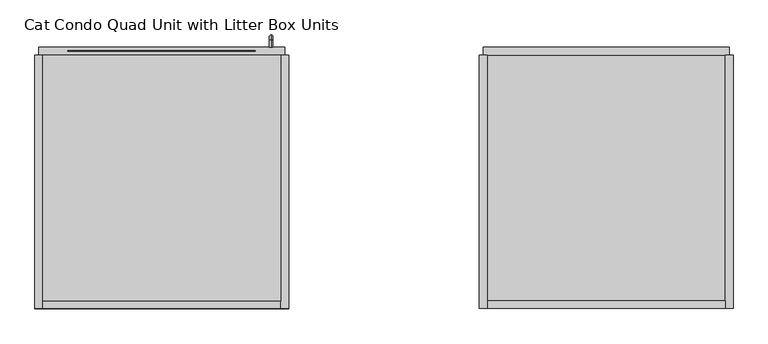
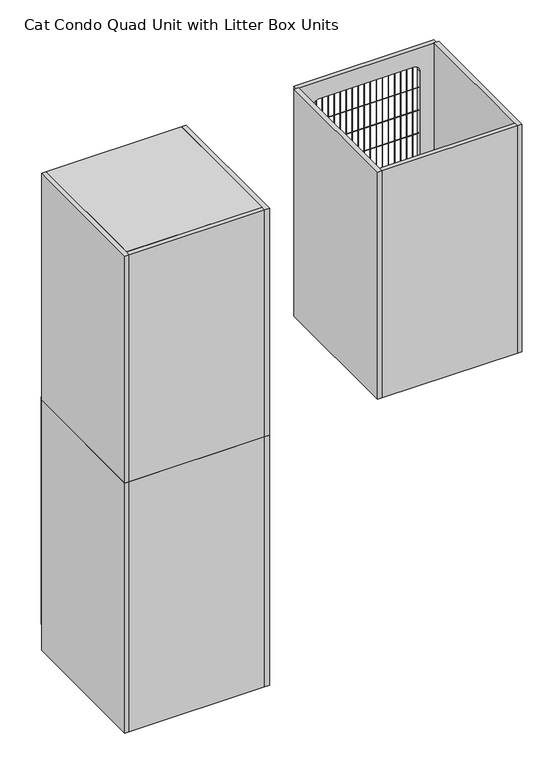
"""IFC4 building model written with IfcOpenShell, lengths in millimetres: proxy geometry, Cat Condo Quad Unit with Litter Box Units."""

from ifc_helpers import new_model, si_unit, point, frame, frame_2d, origin, origin_with_axes, place, context, project, spatial, polyline, circle_curve, ellipse_curve, trimmed, segment, composite_curve, outline, extrude, source, transform, mapped, element, save
from ifc_brep_helpers import plane_surface, cylinder_surface, revolved_surface, advanced_brep


def cat_condo_quad_unit_with_litter_box_units_1855b572(model_context):
    return source(origin(), model_context, "Body", "SolidModel", [
        extrude(outline(polyline([(1085.85, 0.0), (1657.35, 0.0), (1657.35, -590.55), (1085.85, -590.55), (1085.85, 0.0)])), frame((0.0, 0.0, 1114.425), z_axis=(0.0, 0.0, 1.0), x_axis=(1.0, 0.0, 0.0)), (0.0, 0.0, 1.0), 19.05),
        extrude(outline(polyline([(1085.85, -609.6), (1066.8, -609.6), (1066.8, 0.0), (1085.85, 0.0), (1085.85, -609.6)])), frame((0.0, 0.0, 1114.425), z_axis=(0.0, 0.0, 1.0), x_axis=(1.0, 0.0, 0.0)), (0.0, 0.0, 1.0), 1012.825),
        extrude(outline(polyline([(1085.85, -609.6), (1085.85, -590.55), (1657.35, -590.55), (1657.35, -609.6), (1085.85, -609.6)])), frame((0.0, 0.0, 1114.425), z_axis=(0.0, 0.0, 1.0), x_axis=(1.0, 0.0, 0.0)), (0.0, 0.0, 1.0), 1012.825),
        extrude(outline(polyline([(1657.35, -609.6), (1657.35, 0.0), (1676.4, 0.0), (1676.4, -609.6), (1657.35, -609.6)])), frame((0.0, 0.0, 1114.425), z_axis=(0.0, 0.0, 1.0), x_axis=(1.0, 0.0, 0.0)), (0.0, 0.0, 1.0), 1012.825),
        extrude(outline(composite_curve([segment(trimmed(circle_curve(frame_2d((9.6602248, 1944.6875)), 0.79375), [point((9.6602248, 1945.48125))], [point((9.6602248, 1943.89375))], False, "CARTESIAN"), True, "CONTINUOUS"), segment(trimmed(circle_curve(frame_2d((9.6602248, 1944.6875)), 0.79375), [point((9.6602248, 1943.89375))], [point((9.6602248, 1945.48125))], False, "CARTESIAN"), True, "CONTINUOUS")], self_intersect=False)), frame((1146.96875, 0.0, 0.0), z_axis=(1.0, 0.0, 0.0), x_axis=(0.0, 1.0, 0.0)), (0.0, 0.0, 1.0), 450.85),
        extrude(outline(composite_curve([segment(trimmed(circle_curve(frame_2d((9.6602248, 1843.0875)), 0.79375), [point((9.6602248, 1843.88125))], [point((9.6602248, 1842.29375))], False, "CARTESIAN"), True, "CONTINUOUS"), segment(trimmed(circle_curve(frame_2d((9.6602248, 1843.0875)), 0.79375), [point((9.6602248, 1842.29375))], [point((9.6602248, 1843.88125))], False, "CARTESIAN"), True, "CONTINUOUS")], self_intersect=False)), frame((1146.96875, 0.0, 0.0), z_axis=(1.0, 0.0, 0.0), x_axis=(0.0, 1.0, 0.0)), (0.0, 0.0, 1.0), 450.85),
        extrude(outline(composite_curve([segment(trimmed(circle_curve(frame_2d((9.6602248, 1741.4875)), 0.79375), [point((9.6602248, 1742.28125))], [point((9.6602248, 1740.69375))], False, "CARTESIAN"), True, "CONTINUOUS"), segment(trimmed(circle_curve(frame_2d((9.6602248, 1741.4875)), 0.79375), [point((9.6602248, 1740.69375))], [point((9.6602248, 1742.28125))], False, "CARTESIAN"), True, "CONTINUOUS")], self_intersect=False)), frame((1146.96875, 0.0, 0.0), z_axis=(1.0, 0.0, 0.0), x_axis=(0.0, 1.0, 0.0)), (0.0, 0.0, 1.0), 450.85),
        extrude(outline(composite_curve([segment(trimmed(circle_curve(frame_2d((9.6602248, 1639.8875)), 0.79375), [point((9.6602248, 1640.68125))], [point((9.6602248, 1639.09375))], False, "CARTESIAN"), True, "CONTINUOUS"), segment(trimmed(circle_curve(frame_2d((9.6602248, 1639.8875)), 0.79375), [point((9.6602248, 1639.09375))], [point((9.6602248, 1640.68125))], False, "CARTESIAN"), True, "CONTINUOUS")], self_intersect=False)), frame((1146.96875, 0.0, 0.0), z_axis=(1.0, 0.0, 0.0), x_axis=(0.0, 1.0, 0.0)), (0.0, 0.0, 1.0), 450.85),
        extrude(outline(composite_curve([segment(trimmed(circle_curve(frame_2d((9.6602248, 1538.2875)), 0.79375), [point((9.6602248, 1539.08125))], [point((9.6602248, 1537.49375))], False, "CARTESIAN"), True, "CONTINUOUS"), segment(trimmed(circle_curve(frame_2d((9.6602248, 1538.2875)), 0.79375), [point((9.6602248, 1537.49375))], [point((9.6602248, 1539.08125))], False, "CARTESIAN"), True, "CONTINUOUS")], self_intersect=False)), frame((1146.96875, 0.0, 0.0), z_axis=(1.0, 0.0, 0.0), x_axis=(0.0, 1.0, 0.0)), (0.0, 0.0, 1.0), 450.85),
        extrude(outline(composite_curve([segment(trimmed(circle_curve(frame_2d((9.6602248, 1436.6875)), 0.79375), [point((9.6602248, 1437.48125))], [point((9.6602248, 1435.89375))], False, "CARTESIAN"), True, "CONTINUOUS"), segment(trimmed(circle_curve(frame_2d((9.6602248, 1436.6875)), 0.79375), [point((9.6602248, 1435.89375))], [point((9.6602248, 1437.48125))], False, "CARTESIAN"), True, "CONTINUOUS")], self_intersect=False)), frame((1146.96875, 0.0, 0.0), z_axis=(1.0, 0.0, 0.0), x_axis=(0.0, 1.0, 0.0)), (0.0, 0.0, 1.0), 450.85),
        extrude(outline(composite_curve([segment(trimmed(circle_curve(frame_2d((9.6602248, 1335.0875)), 0.79375), [point((9.6602248, 1335.88125))], [point((9.6602248, 1334.29375))], False, "CARTESIAN"), True, "CONTINUOUS"), segment(trimmed(circle_curve(frame_2d((9.6602248, 1335.0875)), 0.79375), [point((9.6602248, 1334.29375))], [point((9.6602248, 1335.88125))], False, "CARTESIAN"), True, "CONTINUOUS")], self_intersect=False)), frame((1146.96875, 0.0, 0.0), z_axis=(1.0, 0.0, 0.0), x_axis=(0.0, 1.0, 0.0)), (0.0, 0.0, 1.0), 450.85),
        extrude(outline(composite_curve([segment(trimmed(circle_curve(frame_2d((1165.3080335, 9.6602248)), 0.79375), [point((1166.1017835, 9.6602248))], [point((1164.5142835, 9.6602248))], False, "CARTESIAN"), True, "CONTINUOUS"), segment(trimmed(circle_curve(frame_2d((1165.3080335, 9.6602248)), 0.79375), [point((1164.5142835, 9.6602248))], [point((1166.1017835, 9.6602248))], False, "CARTESIAN"), True, "CONTINUOUS")], self_intersect=False)), frame((0.0, 0.0, 1244.6), z_axis=(0.0, 0.0, 1.0), x_axis=(1.0, 0.0, 0.0)), (0.0, 0.0, 1.0), 803.275),
        extrude(outline(composite_curve([segment(trimmed(circle_curve(frame_2d((1190.7080335, 9.6602248)), 0.79375), [point((1191.5017835, 9.6602248))], [point((1189.9142835, 9.6602248))], False, "CARTESIAN"), True, "CONTINUOUS"), segment(trimmed(circle_curve(frame_2d((1190.7080335, 9.6602248)), 0.79375), [point((1189.9142835, 9.6602248))], [point((1191.5017835, 9.6602248))], False, "CARTESIAN"), True, "CONTINUOUS")], self_intersect=False)), frame((0.0, 0.0, 1244.6), z_axis=(0.0, 0.0, 1.0), x_axis=(1.0, 0.0, 0.0)), (0.0, 0.0, 1.0), 803.275),
        extrude(outline(composite_curve([segment(trimmed(circle_curve(frame_2d((1216.1080335, 9.6602248)), 0.79375), [point((1216.9017835, 9.6602248))], [point((1215.3142835, 9.6602248))], False, "CARTESIAN"), True, "CONTINUOUS"), segment(trimmed(circle_curve(frame_2d((1216.1080335, 9.6602248)), 0.79375), [point((1215.3142835, 9.6602248))], [point((1216.9017835, 9.6602248))], False, "CARTESIAN"), True, "CONTINUOUS")], self_intersect=False)), frame((0.0, 0.0, 1244.6), z_axis=(0.0, 0.0, 1.0), x_axis=(1.0, 0.0, 0.0)), (0.0, 0.0, 1.0), 803.275),
        extrude(outline(composite_curve([segment(trimmed(circle_curve(frame_2d((1241.5080335, 9.6602248)), 0.79375), [point((1242.3017835, 9.6602248))], [point((1240.7142835, 9.6602248))], False, "CARTESIAN"), True, "CONTINUOUS"), segment(trimmed(circle_curve(frame_2d((1241.5080335, 9.6602248)), 0.79375), [point((1240.7142835, 9.6602248))], [point((1242.3017835, 9.6602248))], False, "CARTESIAN"), True, "CONTINUOUS")], self_intersect=False)), frame((0.0, 0.0, 1244.6), z_axis=(0.0, 0.0, 1.0), x_axis=(1.0, 0.0, 0.0)), (0.0, 0.0, 1.0), 803.275),
        extrude(outline(composite_curve([segment(trimmed(circle_curve(frame_2d((1266.9080335, 9.6602248)), 0.79375), [point((1267.7017835, 9.6602248))], [point((1266.1142835, 9.6602248))], False, "CARTESIAN"), True, "CONTINUOUS"), segment(trimmed(circle_curve(frame_2d((1266.9080335, 9.6602248)), 0.79375), [point((1266.1142835, 9.6602248))], [point((1267.7017835, 9.6602248))], False, "CARTESIAN"), True, "CONTINUOUS")], self_intersect=False)), frame((0.0, 0.0, 1244.6), z_axis=(0.0, 0.0, 1.0), x_axis=(1.0, 0.0, 0.0)), (0.0, 0.0, 1.0), 803.275),
        extrude(outline(composite_curve([segment(trimmed(circle_curve(frame_2d((1292.3080335, 9.6602248)), 0.79375), [point((1293.1017835, 9.6602248))], [point((1291.5142835, 9.6602248))], False, "CARTESIAN"), True, "CONTINUOUS"), segment(trimmed(circle_curve(frame_2d((1292.3080335, 9.6602248)), 0.79375), [point((1291.5142835, 9.6602248))], [point((1293.1017835, 9.6602248))], False, "CARTESIAN"), True, "CONTINUOUS")], self_intersect=False)), frame((0.0, 0.0, 1244.6), z_axis=(0.0, 0.0, 1.0), x_axis=(1.0, 0.0, 0.0)), (0.0, 0.0, 1.0), 803.275),
        extrude(outline(composite_curve([segment(trimmed(circle_curve(frame_2d((1317.7080335, 9.6602248)), 0.79375), [point((1318.5017835, 9.6602248))], [point((1316.9142835, 9.6602248))], False, "CARTESIAN"), True, "CONTINUOUS"), segment(trimmed(circle_curve(frame_2d((1317.7080335, 9.6602248)), 0.79375), [point((1316.9142835, 9.6602248))], [point((1318.5017835, 9.6602248))], False, "CARTESIAN"), True, "CONTINUOUS")], self_intersect=False)), frame((0.0, 0.0, 1244.6), z_axis=(0.0, 0.0, 1.0), x_axis=(1.0, 0.0, 0.0)), (0.0, 0.0, 1.0), 803.275),
        extrude(outline(composite_curve([segment(trimmed(circle_curve(frame_2d((1343.1080335, 9.6602248)), 0.79375), [point((1343.9017835, 9.6602248))], [point((1342.3142835, 9.6602248))], False, "CARTESIAN"), True, "CONTINUOUS"), segment(trimmed(circle_curve(frame_2d((1343.1080335, 9.6602248)), 0.79375), [point((1342.3142835, 9.6602248))], [point((1343.9017835, 9.6602248))], False, "CARTESIAN"), True, "CONTINUOUS")], self_intersect=False)), frame((0.0, 0.0, 1244.6), z_axis=(0.0, 0.0, 1.0), x_axis=(1.0, 0.0, 0.0)), (0.0, 0.0, 1.0), 803.275),
        extrude(outline(composite_curve([segment(trimmed(circle_curve(frame_2d((1368.5080335, 9.6602248)), 0.79375), [point((1369.3017835, 9.6602248))], [point((1367.7142835, 9.6602248))], False, "CARTESIAN"), True, "CONTINUOUS"), segment(trimmed(circle_curve(frame_2d((1368.5080335, 9.6602248)), 0.79375), [point((1367.7142835, 9.6602248))], [point((1369.3017835, 9.6602248))], False, "CARTESIAN"), True, "CONTINUOUS")], self_intersect=False)), frame((0.0, 0.0, 1244.6), z_axis=(0.0, 0.0, 1.0), x_axis=(1.0, 0.0, 0.0)), (0.0, 0.0, 1.0), 803.275),
        extrude(outline(composite_curve([segment(trimmed(circle_curve(frame_2d((1393.9080335, 9.6602248)), 0.79375), [point((1394.7017835, 9.6602248))], [point((1393.1142835, 9.6602248))], False, "CARTESIAN"), True, "CONTINUOUS"), segment(trimmed(circle_curve(frame_2d((1393.9080335, 9.6602248)), 0.79375), [point((1393.1142835, 9.6602248))], [point((1394.7017835, 9.6602248))], False, "CARTESIAN"), True, "CONTINUOUS")], self_intersect=False)), frame((0.0, 0.0, 1244.6), z_axis=(0.0, 0.0, 1.0), x_axis=(1.0, 0.0, 0.0)), (0.0, 0.0, 1.0), 803.275),
        extrude(outline(composite_curve([segment(trimmed(circle_curve(frame_2d((1419.3080335, 9.6602248)), 0.79375), [point((1420.1017835, 9.6602248))], [point((1418.5142835, 9.6602248))], False, "CARTESIAN"), True, "CONTINUOUS"), segment(trimmed(circle_curve(frame_2d((1419.3080335, 9.6602248)), 0.79375), [point((1418.5142835, 9.6602248))], [point((1420.1017835, 9.6602248))], False, "CARTESIAN"), True, "CONTINUOUS")], self_intersect=False)), frame((0.0, 0.0, 1244.6), z_axis=(0.0, 0.0, 1.0), x_axis=(1.0, 0.0, 0.0)), (0.0, 0.0, 1.0), 803.275),
        extrude(outline(composite_curve([segment(trimmed(circle_curve(frame_2d((1444.7080335, 9.6602248)), 0.79375), [point((1445.5017835, 9.6602248))], [point((1443.9142835, 9.6602248))], False, "CARTESIAN"), True, "CONTINUOUS"), segment(trimmed(circle_curve(frame_2d((1444.7080335, 9.6602248)), 0.79375), [point((1443.9142835, 9.6602248))], [point((1445.5017835, 9.6602248))], False, "CARTESIAN"), True, "CONTINUOUS")], self_intersect=False)), frame((0.0, 0.0, 1244.6), z_axis=(0.0, 0.0, 1.0), x_axis=(1.0, 0.0, 0.0)), (0.0, 0.0, 1.0), 803.275),
        extrude(outline(composite_curve([segment(trimmed(circle_curve(frame_2d((1470.1080335, 9.6602248)), 0.79375), [point((1470.9017835, 9.6602248))], [point((1469.3142835, 9.6602248))], False, "CARTESIAN"), True, "CONTINUOUS"), segment(trimmed(circle_curve(frame_2d((1470.1080335, 9.6602248)), 0.79375), [point((1469.3142835, 9.6602248))], [point((1470.9017835, 9.6602248))], False, "CARTESIAN"), True, "CONTINUOUS")], self_intersect=False)), frame((0.0, 0.0, 1244.6), z_axis=(0.0, 0.0, 1.0), x_axis=(1.0, 0.0, 0.0)), (0.0, 0.0, 1.0), 803.275),
        extrude(outline(composite_curve([segment(trimmed(circle_curve(frame_2d((1495.5080335, 9.6602248)), 0.79375), [point((1496.3017835, 9.6602248))], [point((1494.7142835, 9.6602248))], False, "CARTESIAN"), True, "CONTINUOUS"), segment(trimmed(circle_curve(frame_2d((1495.5080335, 9.6602248)), 0.79375), [point((1494.7142835, 9.6602248))], [point((1496.3017835, 9.6602248))], False, "CARTESIAN"), True, "CONTINUOUS")], self_intersect=False)), frame((0.0, 0.0, 1244.6), z_axis=(0.0, 0.0, 1.0), x_axis=(1.0, 0.0, 0.0)), (0.0, 0.0, 1.0), 803.275),
        extrude(outline(composite_curve([segment(trimmed(circle_curve(frame_2d((1520.9080335, 9.6602248)), 0.79375), [point((1521.7017835, 9.6602248))], [point((1520.1142835, 9.6602248))], False, "CARTESIAN"), True, "CONTINUOUS"), segment(trimmed(circle_curve(frame_2d((1520.9080335, 9.6602248)), 0.79375), [point((1520.1142835, 9.6602248))], [point((1521.7017835, 9.6602248))], False, "CARTESIAN"), True, "CONTINUOUS")], self_intersect=False)), frame((0.0, 0.0, 1244.6), z_axis=(0.0, 0.0, 1.0), x_axis=(1.0, 0.0, 0.0)), (0.0, 0.0, 1.0), 803.275),
        extrude(outline(composite_curve([segment(trimmed(circle_curve(frame_2d((1546.3080335, 9.6602248)), 0.79375), [point((1547.1017835, 9.6602248))], [point((1545.5142835, 9.6602248))], False, "CARTESIAN"), True, "CONTINUOUS"), segment(trimmed(circle_curve(frame_2d((1546.3080335, 9.6602248)), 0.79375), [point((1545.5142835, 9.6602248))], [point((1547.1017835, 9.6602248))], False, "CARTESIAN"), True, "CONTINUOUS")], self_intersect=False)), frame((0.0, 0.0, 1244.6), z_axis=(0.0, 0.0, 1.0), x_axis=(1.0, 0.0, 0.0)), (0.0, 0.0, 1.0), 803.275),
        extrude(outline(composite_curve([segment(trimmed(circle_curve(frame_2d((1571.7080335, 9.6602248)), 0.79375), [point((1572.5017835, 9.6602248))], [point((1570.9142835, 9.6602248))], False, "CARTESIAN"), True, "CONTINUOUS"), segment(trimmed(circle_curve(frame_2d((1571.7080335, 9.6602248)), 0.79375), [point((1570.9142835, 9.6602248))], [point((1572.5017835, 9.6602248))], False, "CARTESIAN"), True, "CONTINUOUS")], self_intersect=False)), frame((0.0, 0.0, 1244.6), z_axis=(0.0, 0.0, 1.0), x_axis=(1.0, 0.0, 0.0)), (0.0, 0.0, 1.0), 803.275),
        extrude(outline(polyline([(2127.25, 1666.875), (2127.25, 1076.325), (1114.425, 1076.325), (1114.425, 1666.875), (2127.25, 1666.875)]), holes=[composite_curve([segment(polyline([(2047.875, 1172.36875), (2047.875, 1572.41875)]), True, "CONTINUOUS"), segment(trimmed(circle_curve(frame_2d((2022.475, 1572.41875)), 25.4), [point((2047.875, 1572.41875))], [point((2022.475, 1597.81875))], True, "CARTESIAN"), True, "CONTINUOUS"), segment(polyline([(2022.475, 1597.81875), (1270.0, 1597.81875)]), True, "CONTINUOUS"), segment(trimmed(circle_curve(frame_2d((1270.0, 1572.41875)), 25.4), [point((1270.0, 1597.81875))], [point((1244.6, 1572.41875))], True, "CARTESIAN"), True, "CONTINUOUS"), segment(polyline([(1244.6, 1572.41875), (1244.6, 1172.36875)]), True, "CONTINUOUS"), segment(trimmed(circle_curve(frame_2d((1270.0, 1172.36875)), 25.4), [point((1244.6, 1172.36875))], [point((1270.0, 1146.96875))], True, "CARTESIAN"), True, "CONTINUOUS"), segment(polyline([(1270.0, 1146.96875), (2022.475, 1146.96875)]), True, "CONTINUOUS"), segment(trimmed(circle_curve(frame_2d((2022.475, 1172.36875)), 25.4), [point((2022.475, 1146.96875))], [point((2047.875, 1172.36875))], True, "CARTESIAN"), True, "CONTINUOUS")], self_intersect=False)]), frame((0.0, 0.0, 0.0), z_axis=(0.0, 1.0, 0.0), x_axis=(0.0, 0.0, 1.0)), (0.0, 0.0, 1.0), 19.05),
        advanced_brep(
        [(567.1128423, 19.05, 1056.5243154), (567.1128423, 19.05, 1064.3756846), (567.1128423, 35.2117768, 1056.5243154), (567.1128423, 35.2117768, 1064.3756846), (567.1128423, 35.2117768, 962.7756846), (567.1128423, 19.05, 962.7756846), (567.1128423, 19.05, 954.9243154), (567.1128423, 35.2117768, 954.9243154), (567.1128423, 48.3756846, 1051.2117768), (567.1128423, 40.5243154, 1051.2117768), (567.1128423, 48.3756846, 968.0882232), (567.1128423, 40.5243154, 968.0882232)],
        [
            (0, 1, circle_curve(frame((567.1128423, 19.05, 1060.45), z_axis=(0.0, -1.0, 0.0), x_axis=(0.0, 0.0, 1.0)), 3.9256846)),
            (1, 0, circle_curve(frame((567.1128423, 19.05, 1060.45), z_axis=(0.0, -1.0, 0.0), x_axis=(0.0, 0.0, 1.0)), 3.9256846)),
            (0, 2),
            (2, 3, circle_curve(frame((567.1128423, 35.2117768, 1060.45), z_axis=(0.0, -1.0, 0.0), x_axis=(0.0, 0.0, 1.0)), 3.9256846)),
            (3, 1),
            (4, 5),
            (5, 6, circle_curve(frame((567.1128423, 19.05, 958.85), z_axis=(0.0, 1.0, 0.0), x_axis=(0.0, 0.0, -1.0)), 3.9256846)),
            (6, 7),
            (7, 4, circle_curve(frame((567.1128423, 35.2117768, 958.85), z_axis=(0.0, -1.0, 0.0), x_axis=(0.0, 0.0, -1.0)), 3.9256846)),
            (3, 2, circle_curve(frame((567.1128423, 35.2117768, 1060.45), z_axis=(0.0, -1.0, 0.0), x_axis=(0.0, 0.0, 1.0)), 3.9256846)),
            (8, 9, circle_curve(frame((567.1128423, 44.45, 1051.2117768), z_axis=(0.0, 0.0, 1.0), x_axis=(0.0, 1.0, 0.0)), 3.9256846)),
            (9, 2, circle_curve(frame((567.1128423, 35.2117768, 1051.2117768), z_axis=(1.0, 0.0, 0.0), x_axis=(0.0, 0.0, 1.0)), 5.3125387)),
            (3, 8, circle_curve(frame((567.1128423, 35.2117768, 1051.2117768), z_axis=(-1.0, 0.0, 0.0), x_axis=(0.0, 0.0, 1.0)), 13.1639078)),
            (9, 8, circle_curve(frame((567.1128423, 44.45, 1051.2117768), z_axis=(0.0, 0.0, 1.0), x_axis=(0.0, 1.0, 0.0)), 3.9256846)),
            (8, 10),
            (10, 11, circle_curve(frame((567.1128423, 44.45, 968.0882232), z_axis=(0.0, 0.0, 1.0), x_axis=(0.0, 1.0, 0.0)), 3.9256846)),
            (11, 9),
            (11, 10, circle_curve(frame((567.1128423, 44.45, 968.0882232), z_axis=(0.0, 0.0, 1.0), x_axis=(0.0, 1.0, 0.0)), 3.9256846)),
            (7, 4, circle_curve(frame((567.1128423, 35.2117768, 958.85), z_axis=(0.0, 1.0, 0.0), x_axis=(0.0, 0.0, -1.0)), 3.9256846)),
            (4, 11, circle_curve(frame((567.1128423, 35.2117768, 968.0882232), z_axis=(1.0, 0.0, 0.0), x_axis=(0.0, 1.0, 0.0)), 5.3125387)),
            (10, 7, circle_curve(frame((567.1128423, 35.2117768, 968.0882232), z_axis=(-1.0, 0.0, 0.0), x_axis=(0.0, 1.0, 0.0)), 13.1639078)),
            (5, 6, circle_curve(frame((567.1128423, 19.05, 958.85), z_axis=(0.0, -1.0, 0.0), x_axis=(0.0, 0.0, -1.0)), 3.9256846)),
        ],
        [
            plane_surface(frame((567.1128423, 19.05, 1060.45), z_axis=(0.0, -1.0, 0.0), x_axis=(1.0, 0.0, 0.0))),
            cylinder_surface(frame((567.1128423, 19.05, 1060.45), z_axis=(0.0, -1.0, 0.0), x_axis=(0.0, 0.0, 1.0)), 3.9256846),
            cylinder_surface(frame((567.1128423, 35.2117768, 958.85), z_axis=(0.0, 1.0, 0.0), x_axis=(0.0, 0.0, -1.0)), 3.9256846),
            revolved_surface(trimmed(ellipse_curve(frame((567.1128423, 35.2117768, 1060.45), z_axis=(0.0, 1.0, 0.0), x_axis=(0.0, 0.0, 1.0)), 3.9256846, 3.9256846), [point((567.1128423, 35.2117768, 1056.5243154))], [point((567.1128423, 35.2117768, 1064.3756846))], True, "CARTESIAN"), (567.1128423, 35.2117768, 1051.2117768), (1.0, 0.0, 0.0)),
            revolved_surface(trimmed(ellipse_curve(frame((567.1128423, 35.2117768, 1060.45), z_axis=(0.0, 1.0, 0.0), x_axis=(0.0, 0.0, 1.0)), 3.9256846, 3.9256846), [point((567.1128423, 35.2117768, 1064.3756846))], [point((567.1128423, 35.2117768, 1056.5243154))], True, "CARTESIAN"), (567.1128423, 35.2117768, 1051.2117768), (1.0, 0.0, 0.0)),
            cylinder_surface(frame((567.1128423, 44.45, 1051.2117768), z_axis=(0.0, 0.0, 1.0), x_axis=(0.0, 1.0, 0.0)), 3.9256846),
            revolved_surface(trimmed(ellipse_curve(frame((567.1128423, 44.45, 968.0882232), z_axis=(0.0, 0.0, -1.0), x_axis=(0.0, 1.0, 0.0)), 3.9256846, 3.9256846), [point((567.1128423, 40.5243154, 968.0882232))], [point((567.1128423, 48.3756846, 968.0882232))], True, "CARTESIAN"), (567.1128423, 35.2117768, 968.0882232), (1.0, 0.0, 0.0)),
            revolved_surface(trimmed(ellipse_curve(frame((567.1128423, 44.45, 968.0882232), z_axis=(0.0, 0.0, -1.0), x_axis=(0.0, 1.0, 0.0)), 3.9256846, 3.9256846), [point((567.1128423, 48.3756846, 968.0882232))], [point((567.1128423, 40.5243154, 968.0882232))], True, "CARTESIAN"), (567.1128423, 35.2117768, 968.0882232), (1.0, 0.0, 0.0)),
            plane_surface(frame((567.1128423, 19.05, 958.85), z_axis=(0.0, -1.0, 0.0), x_axis=(1.0, 0.0, 0.0))),
        ],
        [
            (0, [[1, 2]]),
            (1, [[3, 4, 5, -1]]),
            (2, [[6, 7, 8, 9]]),
            (1, [[-5, 10, -3, -2]]),
            (3, [[11, 12, -10, 13]]),
            (4, [[14, -13, -4, -12]]),
            (5, [[15, 16, 17, -11]]),
            (5, [[-17, 18, -15, -14]]),
            (6, [[19, 20, -16, 21]]),
            (7, [[-9, -21, -18, -20]]),
            (8, [[22, -7]]),
            (2, [[-8, -22, -6, -19]]),
        ],
    ),
        extrude(outline(polyline([(590.55, -590.55), (19.05, -590.55), (19.05, 0.0), (590.55, 0.0), (590.55, -590.55)])), frame((0.0, 0.0, 1095.375), z_axis=(0.0, 0.0, 1.0), x_axis=(1.0, 0.0, 0.0)), (0.0, 0.0, 1.0), 19.05),
        extrude(outline(polyline([(590.55, -590.55), (19.05, -590.55), (19.05, -374.65), (590.55, -166.6410111), (590.55, -590.55)])), frame((0.0, 0.0, 711.2), z_axis=(0.0, 0.0, 1.0), x_axis=(1.0, 0.0, 0.0)), (0.0, 0.0, 1.0), 19.05),
        extrude(outline(composite_curve([segment(polyline([(222.25, -590.55), (19.05, -590.55), (19.05, -25.4), (146.05, -25.4)]), True, "CONTINUOUS"), segment(trimmed(circle_curve(frame_2d((146.05, -101.6)), 76.2), [point((146.05, -25.4))], [point((222.25, -101.6))], False, "CARTESIAN"), True, "CONTINUOUS"), segment(polyline([(222.25, -101.6), (222.25, -590.55)]), True, "CONTINUOUS")], self_intersect=False)), frame((0.0, 0.0, 406.4), z_axis=(0.0, 0.0, 1.0), x_axis=(1.0, 0.0, 0.0)), (0.0, 0.0, 1.0), 19.05),
        extrude(outline(polyline([(590.55, 0.0), (590.55, -590.55), (19.05, -590.55), (19.05, 0.0), (590.55, 0.0)])), frame((0.0, 0.0, 101.6), z_axis=(0.0, 0.0, 1.0), x_axis=(1.0, 0.0, 0.0)), (0.0, 0.0, 1.0), 19.05),
        extrude(outline(polyline([(590.55, -19.05), (19.05, -19.05), (19.05, 0.0), (590.55, 0.0), (590.55, -19.05)])), origin_with_axes(), (0.0, 0.0, 1.0), 101.6),
        extrude(outline(polyline([(590.55, -609.6), (590.55, 0.0), (609.6, 0.0), (609.6, -609.6), (590.55, -609.6)])), origin_with_axes(), (0.0, 0.0, 1.0), 1114.425),
        extrude(outline(polyline([(590.55, -609.6), (19.05, -609.6), (19.05, -590.55), (590.55, -590.55), (590.55, -609.6)])), origin_with_axes(), (0.0, 0.0, 1.0), 1114.425),
        extrude(outline(polyline([(19.05, -609.6), (0.0, -609.6), (0.0, 0.0), (19.05, 0.0), (19.05, -609.6)])), origin_with_axes(), (0.0, 0.0, 1.0), 1114.425),
        extrude(outline(composite_curve([segment(trimmed(circle_curve(frame_2d((9.6602248, 931.8625)), 0.79375), [point((9.6602248, 932.65625))], [point((9.6602248, 931.06875))], False, "CARTESIAN"), True, "CONTINUOUS"), segment(trimmed(circle_curve(frame_2d((9.6602248, 931.8625)), 0.79375), [point((9.6602248, 931.06875))], [point((9.6602248, 932.65625))], False, "CARTESIAN"), True, "CONTINUOUS")], self_intersect=False)), frame((78.58125, 0.0, 0.0), z_axis=(1.0, 0.0, 0.0), x_axis=(0.0, 1.0, 0.0)), (0.0, 0.0, 1.0), 450.85),
        extrude(outline(composite_curve([segment(trimmed(circle_curve(frame_2d((9.6602248, 830.2625)), 0.79375), [point((9.6602248, 831.05625))], [point((9.6602248, 829.46875))], False, "CARTESIAN"), True, "CONTINUOUS"), segment(trimmed(circle_curve(frame_2d((9.6602248, 830.2625)), 0.79375), [point((9.6602248, 829.46875))], [point((9.6602248, 831.05625))], False, "CARTESIAN"), True, "CONTINUOUS")], self_intersect=False)), frame((78.58125, 0.0, 0.0), z_axis=(1.0, 0.0, 0.0), x_axis=(0.0, 1.0, 0.0)), (0.0, 0.0, 1.0), 450.85),
        extrude(outline(composite_curve([segment(trimmed(circle_curve(frame_2d((9.6602248, 728.6625)), 0.79375), [point((9.6602248, 729.45625))], [point((9.6602248, 727.86875))], False, "CARTESIAN"), True, "CONTINUOUS"), segment(trimmed(circle_curve(frame_2d((9.6602248, 728.6625)), 0.79375), [point((9.6602248, 727.86875))], [point((9.6602248, 729.45625))], False, "CARTESIAN"), True, "CONTINUOUS")], self_intersect=False)), frame((78.58125, 0.0, 0.0), z_axis=(1.0, 0.0, 0.0), x_axis=(0.0, 1.0, 0.0)), (0.0, 0.0, 1.0), 450.85),
        extrude(outline(composite_curve([segment(trimmed(circle_curve(frame_2d((9.6602248, 627.0625)), 0.79375), [point((9.6602248, 627.85625))], [point((9.6602248, 626.26875))], False, "CARTESIAN"), True, "CONTINUOUS"), segment(trimmed(circle_curve(frame_2d((9.6602248, 627.0625)), 0.79375), [point((9.6602248, 626.26875))], [point((9.6602248, 627.85625))], False, "CARTESIAN"), True, "CONTINUOUS")], self_intersect=False)), frame((78.58125, 0.0, 0.0), z_axis=(1.0, 0.0, 0.0), x_axis=(0.0, 1.0, 0.0)), (0.0, 0.0, 1.0), 450.85),
        extrude(outline(composite_curve([segment(trimmed(circle_curve(frame_2d((9.6602248, 525.4625)), 0.79375), [point((9.6602248, 526.25625))], [point((9.6602248, 524.66875))], False, "CARTESIAN"), True, "CONTINUOUS"), segment(trimmed(circle_curve(frame_2d((9.6602248, 525.4625)), 0.79375), [point((9.6602248, 524.66875))], [point((9.6602248, 526.25625))], False, "CARTESIAN"), True, "CONTINUOUS")], self_intersect=False)), frame((78.58125, 0.0, 0.0), z_axis=(1.0, 0.0, 0.0), x_axis=(0.0, 1.0, 0.0)), (0.0, 0.0, 1.0), 450.85),
        extrude(outline(composite_curve([segment(trimmed(circle_curve(frame_2d((9.6602248, 423.8625)), 0.79375), [point((9.6602248, 424.65625))], [point((9.6602248, 423.06875))], False, "CARTESIAN"), True, "CONTINUOUS"), segment(trimmed(circle_curve(frame_2d((9.6602248, 423.8625)), 0.79375), [point((9.6602248, 423.06875))], [point((9.6602248, 424.65625))], False, "CARTESIAN"), True, "CONTINUOUS")], self_intersect=False)), frame((78.58125, 0.0, 0.0), z_axis=(1.0, 0.0, 0.0), x_axis=(0.0, 1.0, 0.0)), (0.0, 0.0, 1.0), 450.85),
        extrude(outline(composite_curve([segment(trimmed(circle_curve(frame_2d((9.6602248, 322.2625)), 0.79375), [point((9.6602248, 323.05625))], [point((9.6602248, 321.46875))], False, "CARTESIAN"), True, "CONTINUOUS"), segment(trimmed(circle_curve(frame_2d((9.6602248, 322.2625)), 0.79375), [point((9.6602248, 321.46875))], [point((9.6602248, 323.05625))], False, "CARTESIAN"), True, "CONTINUOUS")], self_intersect=False)), frame((78.58125, 0.0, 0.0), z_axis=(1.0, 0.0, 0.0), x_axis=(0.0, 1.0, 0.0)), (0.0, 0.0, 1.0), 450.85),
        extrude(outline(composite_curve([segment(trimmed(circle_curve(frame_2d((511.0919665, 9.6602248)), 0.79375), [point((510.2982165, 9.6602248))], [point((511.8857165, 9.6602248))], False, "CARTESIAN"), True, "CONTINUOUS"), segment(trimmed(circle_curve(frame_2d((511.0919665, 9.6602248)), 0.79375), [point((511.8857165, 9.6602248))], [point((510.2982165, 9.6602248))], False, "CARTESIAN"), True, "CONTINUOUS")], self_intersect=False)), frame((0.0, 0.0, 231.775), z_axis=(0.0, 0.0, 1.0), x_axis=(1.0, 0.0, 0.0)), (0.0, 0.0, 1.0), 803.275),
        extrude(outline(composite_curve([segment(trimmed(circle_curve(frame_2d((485.6919665, 9.6602248)), 0.79375), [point((484.8982165, 9.6602248))], [point((486.4857165, 9.6602248))], False, "CARTESIAN"), True, "CONTINUOUS"), segment(trimmed(circle_curve(frame_2d((485.6919665, 9.6602248)), 0.79375), [point((486.4857165, 9.6602248))], [point((484.8982165, 9.6602248))], False, "CARTESIAN"), True, "CONTINUOUS")], self_intersect=False)), frame((0.0, 0.0, 231.775), z_axis=(0.0, 0.0, 1.0), x_axis=(1.0, 0.0, 0.0)), (0.0, 0.0, 1.0), 803.275),
        extrude(outline(composite_curve([segment(trimmed(circle_curve(frame_2d((460.2919665, 9.6602248)), 0.79375), [point((459.4982165, 9.6602248))], [point((461.0857165, 9.6602248))], False, "CARTESIAN"), True, "CONTINUOUS"), segment(trimmed(circle_curve(frame_2d((460.2919665, 9.6602248)), 0.79375), [point((461.0857165, 9.6602248))], [point((459.4982165, 9.6602248))], False, "CARTESIAN"), True, "CONTINUOUS")], self_intersect=False)), frame((0.0, 0.0, 231.775), z_axis=(0.0, 0.0, 1.0), x_axis=(1.0, 0.0, 0.0)), (0.0, 0.0, 1.0), 803.275),
        extrude(outline(composite_curve([segment(trimmed(circle_curve(frame_2d((434.8919665, 9.6602248)), 0.79375), [point((434.0982165, 9.6602248))], [point((435.6857165, 9.6602248))], False, "CARTESIAN"), True, "CONTINUOUS"), segment(trimmed(circle_curve(frame_2d((434.8919665, 9.6602248)), 0.79375), [point((435.6857165, 9.6602248))], [point((434.0982165, 9.6602248))], False, "CARTESIAN"), True, "CONTINUOUS")], self_intersect=False)), frame((0.0, 0.0, 231.775), z_axis=(0.0, 0.0, 1.0), x_axis=(1.0, 0.0, 0.0)), (0.0, 0.0, 1.0), 803.275),
        extrude(outline(composite_curve([segment(trimmed(circle_curve(frame_2d((409.4919665, 9.6602248)), 0.79375), [point((408.6982165, 9.6602248))], [point((410.2857165, 9.6602248))], False, "CARTESIAN"), True, "CONTINUOUS"), segment(trimmed(circle_curve(frame_2d((409.4919665, 9.6602248)), 0.79375), [point((410.2857165, 9.6602248))], [point((408.6982165, 9.6602248))], False, "CARTESIAN"), True, "CONTINUOUS")], self_intersect=False)), frame((0.0, 0.0, 231.775), z_axis=(0.0, 0.0, 1.0), x_axis=(1.0, 0.0, 0.0)), (0.0, 0.0, 1.0), 803.275),
        extrude(outline(composite_curve([segment(trimmed(circle_curve(frame_2d((384.0919665, 9.6602248)), 0.79375), [point((383.2982165, 9.6602248))], [point((384.8857165, 9.6602248))], False, "CARTESIAN"), True, "CONTINUOUS"), segment(trimmed(circle_curve(frame_2d((384.0919665, 9.6602248)), 0.79375), [point((384.8857165, 9.6602248))], [point((383.2982165, 9.6602248))], False, "CARTESIAN"), True, "CONTINUOUS")], self_intersect=False)), frame((0.0, 0.0, 231.775), z_axis=(0.0, 0.0, 1.0), x_axis=(1.0, 0.0, 0.0)), (0.0, 0.0, 1.0), 803.275),
        extrude(outline(composite_curve([segment(trimmed(circle_curve(frame_2d((358.6919665, 9.6602248)), 0.79375), [point((357.8982165, 9.6602248))], [point((359.4857165, 9.6602248))], False, "CARTESIAN"), True, "CONTINUOUS"), segment(trimmed(circle_curve(frame_2d((358.6919665, 9.6602248)), 0.79375), [point((359.4857165, 9.6602248))], [point((357.8982165, 9.6602248))], False, "CARTESIAN"), True, "CONTINUOUS")], self_intersect=False)), frame((0.0, 0.0, 231.775), z_axis=(0.0, 0.0, 1.0), x_axis=(1.0, 0.0, 0.0)), (0.0, 0.0, 1.0), 803.275),
        extrude(outline(composite_curve([segment(trimmed(circle_curve(frame_2d((333.2919665, 9.6602248)), 0.79375), [point((332.4982165, 9.6602248))], [point((334.0857165, 9.6602248))], False, "CARTESIAN"), True, "CONTINUOUS"), segment(trimmed(circle_curve(frame_2d((333.2919665, 9.6602248)), 0.79375), [point((334.0857165, 9.6602248))], [point((332.4982165, 9.6602248))], False, "CARTESIAN"), True, "CONTINUOUS")], self_intersect=False)), frame((0.0, 0.0, 231.775), z_axis=(0.0, 0.0, 1.0), x_axis=(1.0, 0.0, 0.0)), (0.0, 0.0, 1.0), 803.275),
        extrude(outline(composite_curve([segment(trimmed(circle_curve(frame_2d((307.8919665, 9.6602248)), 0.79375), [point((307.0982165, 9.6602248))], [point((308.6857165, 9.6602248))], False, "CARTESIAN"), True, "CONTINUOUS"), segment(trimmed(circle_curve(frame_2d((307.8919665, 9.6602248)), 0.79375), [point((308.6857165, 9.6602248))], [point((307.0982165, 9.6602248))], False, "CARTESIAN"), True, "CONTINUOUS")], self_intersect=False)), frame((0.0, 0.0, 231.775), z_axis=(0.0, 0.0, 1.0), x_axis=(1.0, 0.0, 0.0)), (0.0, 0.0, 1.0), 803.275),
        extrude(outline(composite_curve([segment(trimmed(circle_curve(frame_2d((282.4919665, 9.6602248)), 0.79375), [point((281.6982165, 9.6602248))], [point((283.2857165, 9.6602248))], False, "CARTESIAN"), True, "CONTINUOUS"), segment(trimmed(circle_curve(frame_2d((282.4919665, 9.6602248)), 0.79375), [point((283.2857165, 9.6602248))], [point((281.6982165, 9.6602248))], False, "CARTESIAN"), True, "CONTINUOUS")], self_intersect=False)), frame((0.0, 0.0, 231.775), z_axis=(0.0, 0.0, 1.0), x_axis=(1.0, 0.0, 0.0)), (0.0, 0.0, 1.0), 803.275),
        extrude(outline(composite_curve([segment(trimmed(circle_curve(frame_2d((257.0919665, 9.6602248)), 0.79375), [point((256.2982165, 9.6602248))], [point((257.8857165, 9.6602248))], False, "CARTESIAN"), True, "CONTINUOUS"), segment(trimmed(circle_curve(frame_2d((257.0919665, 9.6602248)), 0.79375), [point((257.8857165, 9.6602248))], [point((256.2982165, 9.6602248))], False, "CARTESIAN"), True, "CONTINUOUS")], self_intersect=False)), frame((0.0, 0.0, 231.775), z_axis=(0.0, 0.0, 1.0), x_axis=(1.0, 0.0, 0.0)), (0.0, 0.0, 1.0), 803.275),
        extrude(outline(composite_curve([segment(trimmed(circle_curve(frame_2d((231.6919665, 9.6602248)), 0.79375), [point((230.8982165, 9.6602248))], [point((232.4857165, 9.6602248))], False, "CARTESIAN"), True, "CONTINUOUS"), segment(trimmed(circle_curve(frame_2d((231.6919665, 9.6602248)), 0.79375), [point((232.4857165, 9.6602248))], [point((230.8982165, 9.6602248))], False, "CARTESIAN"), True, "CONTINUOUS")], self_intersect=False)), frame((0.0, 0.0, 231.775), z_axis=(0.0, 0.0, 1.0), x_axis=(1.0, 0.0, 0.0)), (0.0, 0.0, 1.0), 803.275),
        extrude(outline(composite_curve([segment(trimmed(circle_curve(frame_2d((206.2919665, 9.6602248)), 0.79375), [point((205.4982165, 9.6602248))], [point((207.0857165, 9.6602248))], False, "CARTESIAN"), True, "CONTINUOUS"), segment(trimmed(circle_curve(frame_2d((206.2919665, 9.6602248)), 0.79375), [point((207.0857165, 9.6602248))], [point((205.4982165, 9.6602248))], False, "CARTESIAN"), True, "CONTINUOUS")], self_intersect=False)), frame((0.0, 0.0, 231.775), z_axis=(0.0, 0.0, 1.0), x_axis=(1.0, 0.0, 0.0)), (0.0, 0.0, 1.0), 803.275),
        extrude(outline(composite_curve([segment(trimmed(circle_curve(frame_2d((180.8919665, 9.6602248)), 0.79375), [point((180.0982165, 9.6602248))], [point((181.6857165, 9.6602248))], False, "CARTESIAN"), True, "CONTINUOUS"), segment(trimmed(circle_curve(frame_2d((180.8919665, 9.6602248)), 0.79375), [point((181.6857165, 9.6602248))], [point((180.0982165, 9.6602248))], False, "CARTESIAN"), True, "CONTINUOUS")], self_intersect=False)), frame((0.0, 0.0, 231.775), z_axis=(0.0, 0.0, 1.0), x_axis=(1.0, 0.0, 0.0)), (0.0, 0.0, 1.0), 803.275),
        extrude(outline(composite_curve([segment(trimmed(circle_curve(frame_2d((155.4919665, 9.6602248)), 0.79375), [point((154.6982165, 9.6602248))], [point((156.2857165, 9.6602248))], False, "CARTESIAN"), True, "CONTINUOUS"), segment(trimmed(circle_curve(frame_2d((155.4919665, 9.6602248)), 0.79375), [point((156.2857165, 9.6602248))], [point((154.6982165, 9.6602248))], False, "CARTESIAN"), True, "CONTINUOUS")], self_intersect=False)), frame((0.0, 0.0, 231.775), z_axis=(0.0, 0.0, 1.0), x_axis=(1.0, 0.0, 0.0)), (0.0, 0.0, 1.0), 803.275),
        extrude(outline(composite_curve([segment(trimmed(circle_curve(frame_2d((130.0919665, 9.6602248)), 0.79375), [point((129.2982165, 9.6602248))], [point((130.8857165, 9.6602248))], False, "CARTESIAN"), True, "CONTINUOUS"), segment(trimmed(circle_curve(frame_2d((130.0919665, 9.6602248)), 0.79375), [point((130.8857165, 9.6602248))], [point((129.2982165, 9.6602248))], False, "CARTESIAN"), True, "CONTINUOUS")], self_intersect=False)), frame((0.0, 0.0, 231.775), z_axis=(0.0, 0.0, 1.0), x_axis=(1.0, 0.0, 0.0)), (0.0, 0.0, 1.0), 803.275),
        extrude(outline(composite_curve([segment(trimmed(circle_curve(frame_2d((104.6919665, 9.6602248)), 0.79375), [point((103.8982165, 9.6602248))], [point((105.4857165, 9.6602248))], False, "CARTESIAN"), True, "CONTINUOUS"), segment(trimmed(circle_curve(frame_2d((104.6919665, 9.6602248)), 0.79375), [point((105.4857165, 9.6602248))], [point((103.8982165, 9.6602248))], False, "CARTESIAN"), True, "CONTINUOUS")], self_intersect=False)), frame((0.0, 0.0, 231.775), z_axis=(0.0, 0.0, 1.0), x_axis=(1.0, 0.0, 0.0)), (0.0, 0.0, 1.0), 803.275),
        extrude(outline(polyline([(1114.425, 9.525), (101.6, 9.525), (101.6, 600.075), (1114.425, 600.075), (1114.425, 9.525)]), holes=[composite_curve([segment(trimmed(circle_curve(frame_2d((1009.65, 504.03125)), 25.4), [point((1035.05, 504.03125))], [point((1009.65, 529.43125))], True, "CARTESIAN"), True, "CONTINUOUS"), segment(polyline([(1009.65, 529.43125), (257.175, 529.43125)]), True, "CONTINUOUS"), segment(trimmed(circle_curve(frame_2d((257.175, 504.03125)), 25.4), [point((257.175, 529.43125))], [point((231.775, 504.03125))], True, "CARTESIAN"), True, "CONTINUOUS"), segment(polyline([(231.775, 504.03125), (231.775, 103.98125)]), True, "CONTINUOUS"), segment(trimmed(circle_curve(frame_2d((257.175, 103.98125)), 25.4), [point((231.775, 103.98125))], [point((257.175, 78.58125))], True, "CARTESIAN"), True, "CONTINUOUS"), segment(polyline([(257.175, 78.58125), (1009.65, 78.58125)]), True, "CONTINUOUS"), segment(trimmed(circle_curve(frame_2d((1009.65, 103.98125)), 25.4), [point((1009.65, 78.58125))], [point((1035.05, 103.98125))], True, "CARTESIAN"), True, "CONTINUOUS"), segment(polyline([(1035.05, 103.98125), (1035.05, 504.03125)]), True, "CONTINUOUS")], self_intersect=False)]), frame((0.0, 0.0, 0.0), z_axis=(0.0, 1.0, 0.0), x_axis=(0.0, 0.0, 1.0)), (0.0, 0.0, 1.0), 19.05),
        advanced_brep(
        [(567.1128423, 19.05, 1256.5493154), (567.1128423, 19.05, 1264.4006846), (567.1128423, 35.2117768, 1264.4006846), (567.1128423, 35.2117768, 1256.5493154), (567.1128423, 48.3756846, 1251.2367768), (567.1128423, 40.5243154, 1251.2367768), (567.1128423, 48.3756846, 1168.1132232), (567.1128423, 40.5243154, 1168.1132232), (567.1128423, 35.2117768, 1154.9493154), (567.1128423, 35.2117768, 1162.8006846), (567.1128423, 19.05, 1162.8006846), (567.1128423, 19.05, 1154.9493154)],
        [
            (0, 1, circle_curve(frame((567.1128423, 19.05, 1260.475), z_axis=(0.0, -1.0, 0.0), x_axis=(0.0, 0.0, 1.0)), 3.9256846)),
            (1, 0, circle_curve(frame((567.1128423, 19.05, 1260.475), z_axis=(0.0, -1.0, 0.0), x_axis=(0.0, 0.0, 1.0)), 3.9256846)),
            (1, 2),
            (2, 3, circle_curve(frame((567.1128423, 35.2117768, 1260.475), z_axis=(0.0, -1.0, 0.0), x_axis=(0.0, 0.0, 1.0)), 3.9256846)),
            (3, 0),
            (3, 2, circle_curve(frame((567.1128423, 35.2117768, 1260.475), z_axis=(0.0, -1.0, 0.0), x_axis=(0.0, 0.0, 1.0)), 3.9256846)),
            (4, 5, circle_curve(frame((567.1128423, 44.45, 1251.2367768), z_axis=(0.0, 0.0, 1.0), x_axis=(0.0, 1.0, 0.0)), 3.9256846)),
            (5, 3, circle_curve(frame((567.1128423, 35.2117768, 1251.2367768), z_axis=(1.0, 0.0, 0.0), x_axis=(0.0, 0.0, 1.0)), 5.3125387)),
            (2, 4, circle_curve(frame((567.1128423, 35.2117768, 1251.2367768), z_axis=(-1.0, 0.0, 0.0), x_axis=(0.0, 0.0, 1.0)), 13.1639078)),
            (5, 4, circle_curve(frame((567.1128423, 44.45, 1251.2367768), z_axis=(0.0, 0.0, 1.0), x_axis=(0.0, 1.0, 0.0)), 3.9256846)),
            (4, 6),
            (6, 7, circle_curve(frame((567.1128423, 44.45, 1168.1132232), z_axis=(0.0, 0.0, 1.0), x_axis=(0.0, 1.0, 0.0)), 3.9256846)),
            (7, 5),
            (7, 6, circle_curve(frame((567.1128423, 44.45, 1168.1132232), z_axis=(0.0, 0.0, 1.0), x_axis=(0.0, 1.0, 0.0)), 3.9256846)),
            (8, 9, circle_curve(frame((567.1128423, 35.2117768, 1158.875), z_axis=(0.0, 1.0, 0.0), x_axis=(0.0, 0.0, -1.0)), 3.9256846)),
            (9, 7, circle_curve(frame((567.1128423, 35.2117768, 1168.1132232), z_axis=(1.0, 0.0, 0.0), x_axis=(0.0, 1.0, 0.0)), 5.3125387)),
            (6, 8, circle_curve(frame((567.1128423, 35.2117768, 1168.1132232), z_axis=(-1.0, 0.0, 0.0), x_axis=(0.0, 1.0, 0.0)), 13.1639078)),
            (9, 8, circle_curve(frame((567.1128423, 35.2117768, 1158.875), z_axis=(0.0, 1.0, 0.0), x_axis=(0.0, 0.0, -1.0)), 3.9256846)),
            (10, 11, circle_curve(frame((567.1128423, 19.05, 1158.875), z_axis=(0.0, -1.0, 0.0), x_axis=(0.0, 0.0, -1.0)), 3.9256846)),
            (11, 10, circle_curve(frame((567.1128423, 19.05, 1158.875), z_axis=(0.0, -1.0, 0.0), x_axis=(0.0, 0.0, -1.0)), 3.9256846)),
            (8, 11),
            (10, 9),
        ],
        [
            plane_surface(frame((567.1128423, 19.05, 1260.475), z_axis=(0.0, -1.0, 0.0), x_axis=(1.0, 0.0, 0.0))),
            cylinder_surface(frame((567.1128423, 19.05, 1260.475), z_axis=(0.0, -1.0, 0.0), x_axis=(0.0, 0.0, 1.0)), 3.9256846),
            revolved_surface(trimmed(ellipse_curve(frame((567.1128423, 35.2117768, 1260.475), z_axis=(0.0, 1.0, 0.0), x_axis=(0.0, 0.0, 1.0)), 3.9256846, 3.9256846), [point((567.1128423, 35.2117768, 1256.5493154))], [point((567.1128423, 35.2117768, 1264.4006846))], True, "CARTESIAN"), (567.1128423, 35.2117768, 1251.2367768), (1.0, 0.0, 0.0)),
            revolved_surface(trimmed(ellipse_curve(frame((567.1128423, 35.2117768, 1260.475), z_axis=(0.0, 1.0, 0.0), x_axis=(0.0, 0.0, 1.0)), 3.9256846, 3.9256846), [point((567.1128423, 35.2117768, 1264.4006846))], [point((567.1128423, 35.2117768, 1256.5493154))], True, "CARTESIAN"), (567.1128423, 35.2117768, 1251.2367768), (1.0, 0.0, 0.0)),
            cylinder_surface(frame((567.1128423, 44.45, 1251.2367768), z_axis=(0.0, 0.0, 1.0), x_axis=(0.0, 1.0, 0.0)), 3.9256846),
            revolved_surface(trimmed(ellipse_curve(frame((567.1128423, 44.45, 1168.1132232), z_axis=(0.0, 0.0, -1.0), x_axis=(0.0, 1.0, 0.0)), 3.9256846, 3.9256846), [point((567.1128423, 40.5243154, 1168.1132232))], [point((567.1128423, 48.3756846, 1168.1132232))], True, "CARTESIAN"), (567.1128423, 35.2117768, 1168.1132232), (1.0, 0.0, 0.0)),
            revolved_surface(trimmed(ellipse_curve(frame((567.1128423, 44.45, 1168.1132232), z_axis=(0.0, 0.0, -1.0), x_axis=(0.0, 1.0, 0.0)), 3.9256846, 3.9256846), [point((567.1128423, 48.3756846, 1168.1132232))], [point((567.1128423, 40.5243154, 1168.1132232))], True, "CARTESIAN"), (567.1128423, 35.2117768, 1168.1132232), (1.0, 0.0, 0.0)),
            plane_surface(frame((567.1128423, 19.05, 1158.875), z_axis=(0.0, -1.0, 0.0), x_axis=(1.0, 0.0, 0.0))),
            cylinder_surface(frame((567.1128423, 35.2117768, 1158.875), z_axis=(0.0, 1.0, 0.0), x_axis=(0.0, 0.0, -1.0)), 3.9256846),
        ],
        [
            (0, [[1, 2]]),
            (1, [[3, 4, 5, -2]]),
            (1, [[-5, 6, -3, -1]]),
            (2, [[7, 8, -4, 9]]),
            (3, [[10, -9, -6, -8]]),
            (4, [[11, 12, 13, -7]]),
            (4, [[-13, 14, -11, -10]]),
            (5, [[15, 16, -12, 17]]),
            (6, [[18, -17, -14, -16]]),
            (7, [[19, 20]]),
            (8, [[21, -19, 22, -15]]),
            (8, [[-22, -20, -21, -18]]),
        ],
    ),
        extrude(outline(polyline([(590.55, -590.55), (19.05, -590.55), (19.05, 0.0), (590.55, 0.0), (590.55, -590.55)])), frame((0.0, 0.0, 2108.2), z_axis=(0.0, 0.0, 1.0), x_axis=(1.0, 0.0, 0.0)), (0.0, 0.0, 1.0), 19.05),
        extrude(outline(polyline([(590.55, -590.55), (19.05, -590.55), (19.05, -374.65), (590.55, -166.6410111), (590.55, -590.55)])), frame((0.0, 0.0, 1724.025), z_axis=(0.0, 0.0, 1.0), x_axis=(1.0, 0.0, 0.0)), (0.0, 0.0, 1.0), 19.05),
        extrude(outline(composite_curve([segment(polyline([(222.25, -590.55), (19.05, -590.55), (19.05, -25.4), (146.05, -25.4)]), True, "CONTINUOUS"), segment(trimmed(circle_curve(frame_2d((146.05, -101.6)), 76.2), [point((146.05, -25.4))], [point((222.25, -101.6))], False, "CARTESIAN"), True, "CONTINUOUS"), segment(polyline([(222.25, -101.6), (222.25, -590.55)]), True, "CONTINUOUS")], self_intersect=False)), frame((0.0, 0.0, 1419.225), z_axis=(0.0, 0.0, 1.0), x_axis=(1.0, 0.0, 0.0)), (0.0, 0.0, 1.0), 19.05),
        extrude(outline(polyline([(590.55, 0.0), (590.55, -590.55), (19.05, -590.55), (19.05, 0.0), (590.55, 0.0)])), frame((0.0, 0.0, 1114.425), z_axis=(0.0, 0.0, 1.0), x_axis=(1.0, 0.0, 0.0)), (0.0, 0.0, 1.0), 19.05),
        extrude(outline(polyline([(590.55, -609.6), (590.55, 0.0), (609.6, 0.0), (609.6, -609.6), (590.55, -609.6)])), frame((0.0, 0.0, 1114.425), z_axis=(0.0, 0.0, 1.0), x_axis=(1.0, 0.0, 0.0)), (0.0, 0.0, 1.0), 1012.825),
        extrude(outline(polyline([(590.55, -609.6), (19.05, -609.6), (19.05, -590.55), (590.55, -590.55), (590.55, -609.6)])), frame((0.0, 0.0, 1114.425), z_axis=(0.0, 0.0, 1.0), x_axis=(1.0, 0.0, 0.0)), (0.0, 0.0, 1.0), 1012.825),
        extrude(outline(polyline([(19.05, -609.6), (0.0, -609.6), (0.0, 0.0), (19.05, 0.0), (19.05, -609.6)])), frame((0.0, 0.0, 1114.425), z_axis=(0.0, 0.0, 1.0), x_axis=(1.0, 0.0, 0.0)), (0.0, 0.0, 1.0), 1012.825),
        extrude(outline(composite_curve([segment(trimmed(circle_curve(frame_2d((9.6602248, 1944.6875)), 0.79375), [point((9.6602248, 1945.48125))], [point((9.6602248, 1943.89375))], False, "CARTESIAN"), True, "CONTINUOUS"), segment(trimmed(circle_curve(frame_2d((9.6602248, 1944.6875)), 0.79375), [point((9.6602248, 1943.89375))], [point((9.6602248, 1945.48125))], False, "CARTESIAN"), True, "CONTINUOUS")], self_intersect=False)), frame((78.58125, 0.0, 0.0), z_axis=(1.0, 0.0, 0.0), x_axis=(0.0, 1.0, 0.0)), (0.0, 0.0, 1.0), 450.85),
        extrude(outline(composite_curve([segment(trimmed(circle_curve(frame_2d((9.6602248, 1843.0875)), 0.79375), [point((9.6602248, 1843.88125))], [point((9.6602248, 1842.29375))], False, "CARTESIAN"), True, "CONTINUOUS"), segment(trimmed(circle_curve(frame_2d((9.6602248, 1843.0875)), 0.79375), [point((9.6602248, 1842.29375))], [point((9.6602248, 1843.88125))], False, "CARTESIAN"), True, "CONTINUOUS")], self_intersect=False)), frame((78.58125, 0.0, 0.0), z_axis=(1.0, 0.0, 0.0), x_axis=(0.0, 1.0, 0.0)), (0.0, 0.0, 1.0), 450.85),
    ])


if __name__ == "__main__":
    model = new_model("IFC4")
    model_context = context("Model", 3, world=origin())
    ifc_project = project(units=[si_unit("LENGTHUNIT", "METRE", prefix="MILLI")], contexts=[model_context])
    site = spatial("IfcSite", under=ifc_project)
    building = spatial("IfcBuilding", under=site)
    placement = place(None, origin())
    cat_condo_quad_unit_with_litter_box_units_shape = cat_condo_quad_unit_with_litter_box_units_1855b572(model_context)
    element("IfcBuildingElementProxy", 1, Name="Cat Condo Quad Unit with Litter Box Units", ObjectType="Cat Condo Quad Unit with Litter Box Units", at=placement, inside=building, context=model_context, shape_type="MappedRepresentation", body=[
        mapped(cat_condo_quad_unit_with_litter_box_units_shape, transform((0.0, 0.0, 0.0), x_axis=(1.0, 0.0, 0.0), y_axis=(0.0, 1.0, 0.0), z_axis=(0.0, 0.0, 1.0))),
    ])
    save(model, "model.ifc")
